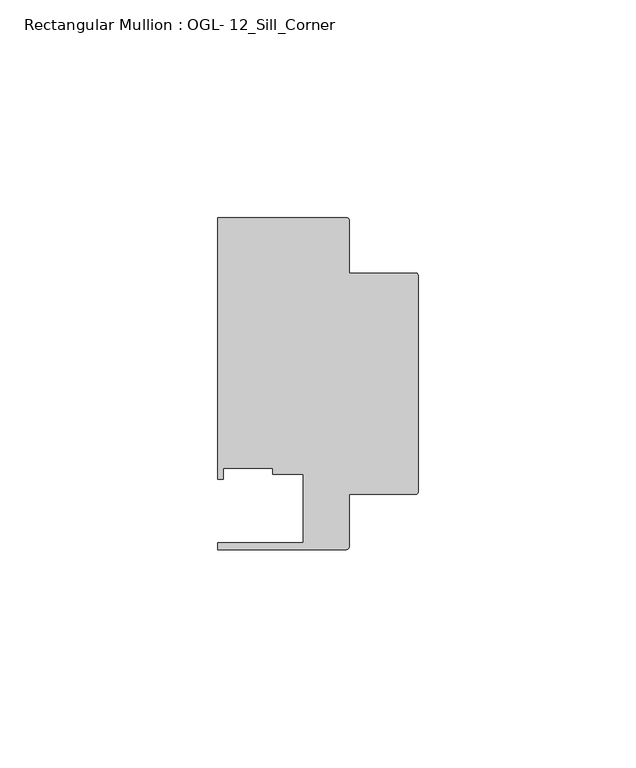
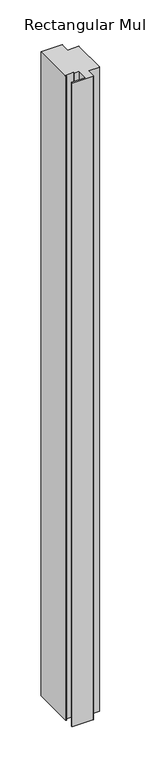
"""IFC4 building model written with IfcOpenShell, lengths in millimetres: member geometry, Rectangular Mullion : OGL- 12_Sill_Corner."""

from ifc_helpers import new_model, si_unit, point, frame, frame_2d, origin, place, context, project, spatial, polyline, circle_curve, trimmed, segment, composite_curve, outline, extrude, source, transform, mapped, element, save


def rectangular_mullion_ogl_12_sill_corner_1ad5f427(model_context):
    return source(origin(), model_context, "Body", "SweptSolid", [
        extrude(outline(composite_curve([segment(trimmed(circle_curve(frame_2d((-0.5953125, 54.9671875)), 0.5953125), [point((-0.5953125, 55.5625))], [point((0.0, 54.9671875))], False, "CARTESIAN"), True, "CONTINUOUS"), segment(polyline([(0.0, 54.9671875), (0.0, 5.3578125)]), True, "CONTINUOUS"), segment(trimmed(circle_curve(frame_2d((-0.5953125, 5.3578125)), 0.5953125), [point((0.0, 5.3578125))], [point((-0.5953125, 4.7625))], False, "CARTESIAN"), True, "CONTINUOUS"), segment(polyline([(-0.5953125, 4.7625), (-15.8750672, 4.7625), (-15.8750672, -7.3422035)]), True, "CONTINUOUS"), segment(trimmed(circle_curve(frame_2d((-16.4703797, -7.3422035)), 0.5953125), [point((-15.8750672, -7.3422035))], [point((-16.4703797, -7.937516))], False, "CARTESIAN"), True, "CONTINUOUS"), segment(polyline([(-16.4703797, -7.937516), (-46.0248655, -7.937516), (-46.0248655, -6.350016), (-26.3720794, -6.350016), (-26.3720794, 9.3367652), (-33.3985545, 9.3367652), (-33.3985545, 10.6800725), (-44.7780305, 10.6800725), (-44.7780305, 8.1914024), (-46.0339598, 8.1914024), (-46.0339598, 68.2621792), (-16.4703797, 68.2621792)]), True, "CONTINUOUS"), segment(trimmed(circle_curve(frame_2d((-16.4703797, 67.6668667)), 0.5953125), [point((-16.4703797, 68.2621792))], [point((-15.8750672, 67.6668667))], False, "CARTESIAN"), True, "CONTINUOUS"), segment(polyline([(-15.8750672, 67.6668667), (-15.8750672, 55.5625), (-0.5953125, 55.5625)]), True, "CONTINUOUS")], self_intersect=False)), frame((0.0, 0.0, -956.3411894), z_axis=(0.0, 0.0, 1.0), x_axis=(1.0, 0.0, 0.0)), (0.0, 0.0, 1.0), 956.3411894),
    ])


if __name__ == "__main__":
    model = new_model("IFC4")
    model_context = context("Model", 3, world=origin())
    ifc_project = project(units=[si_unit("LENGTHUNIT", "METRE", prefix="MILLI")], contexts=[model_context])
    site = spatial("IfcSite", under=ifc_project)
    building = spatial("IfcBuilding", under=site)
    placement = place(None, origin())
    rectangular_mullion_ogl_12_sill_corner_shape = rectangular_mullion_ogl_12_sill_corner_1ad5f427(model_context)
    element("IfcMember", 1, ObjectType="Rectangular Mullion : OGL- 12_Sill_Corner", at=placement, inside=building, context=model_context, shape_type="MappedRepresentation", body=[
        mapped(rectangular_mullion_ogl_12_sill_corner_shape, transform((0.0, 0.0, 0.0), x_axis=(1.0, 0.0, 0.0), y_axis=(0.0, 1.0, 0.0), z_axis=(0.0, 0.0, 1.0))),
    ])
    save(model, "model.ifc")
